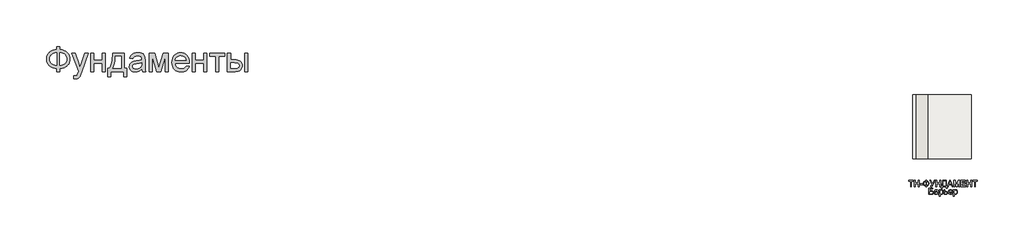
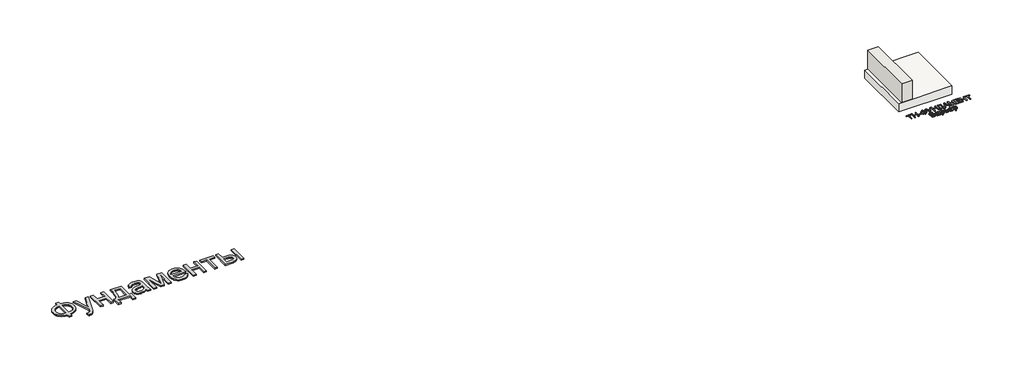
# One storey: 2 proxies, 1 slab, 1 wall.
"""IFC4 building model written with IfcOpenShell, lengths in millimetres."""

from ifc_helpers import new_model, si_unit, origin, origin_with_axes, place, context, project, spatial, polyline, outline, extrude, faceted_brep, element, save

model = new_model("IFC4")

# Units and contexts
model_context = context("Model", 3, world=origin())
ifc_project = project(units=[si_unit("LENGTHUNIT", "METRE", prefix="MILLI")], contexts=[model_context])

# Site, building, storey
site = spatial("IfcSite", under=ifc_project)
building = spatial("IfcBuilding", under=site)
storey = spatial("IfcBuildingStorey", under=building, Elevation=0.0)

# Proxies
placement = place(None, origin())
element("IfcBuildingElementProxy", 1, Name="Generic Models", at=placement, inside=storey, context=model_context, shape_type="SweptSolid", body=[
    extrude(outline(polyline([(-1939.8736325, -26885.7211043), (-1939.8736325, -26787.7817103), (-1841.9342386, -26787.7817103), (-1841.9342386, -26885.7211043), (-1772.0723186, -26894.3529698), (-1709.9695132, -26912.2144755), (-1655.6258224, -26939.3056213), (-1609.0412461, -26975.6264073), (-1571.6743546, -27019.0607113), (-1544.9837177, -27067.4924111), (-1528.9693356, -27120.9215067), (-1523.6312083, -27179.3479982), (-1528.8019587, -27236.6028514), (-1544.3142102, -27289.3863505), (-1570.1679625, -27337.6984954), (-1606.3632158, -27381.5392861), (-1628.1416397, -27401.1761824), (-1652.1109076, -27418.4817577), (-1706.6219753, -27446.0989452), (-1769.896419, -27464.3908486), (-1841.9342386, -27473.3574679), (-1841.9342386, -27571.2968619), (-1939.8736325, -27571.2968619), (-1939.8736325, -27473.3574679), (-2005.3060425, -27466.0586398), (-2065.0237272, -27449.518216), (-2119.0266865, -27423.7361966), (-2167.3149204, -27388.7125816), (-2207.0669327, -27345.8939854), (-2222.6837947, -27322.10405), (-2235.4612272, -27296.7270228), (-2245.3992303, -27269.7629041), (-2252.4978039, -27241.2116938), (-2258.1766628, -27179.3479982), (-2252.5157371, -27117.2033486), (-2245.4395801, -27088.5878775), (-2235.5329602, -27061.6103088), (-2222.7958774, -27036.2706426), (-2207.2283318, -27012.5688789), (-2188.8303234, -26990.5050176), (-2167.6018522, -26970.0790588), (-2119.4032845, -26935.3961753), (-2065.382392, -26909.775555), (-2005.5391746, -26893.217198), (-1939.8736325, -26885.7211043)]), holes=[polyline([(-1841.9342386, -26983.6604982), (-1841.9342386, -27375.418074), (-1793.3949393, -27370.2234125), (-1750.3073446, -27359.2303372), (-1712.6714545, -27342.4388481), (-1680.4872689, -27319.8489452), (-1654.7112272, -27291.9627591), (-1636.2997689, -27259.2824206), (-1625.2528939, -27221.8079296), (-1621.5706022, -27179.5392861), (-1625.1871387, -27137.922217), (-1636.036748, -27100.872146), (-1654.1194303, -27068.389073), (-1679.4351855, -27040.4729982), (-1711.2905951, -27017.6977852), (-1748.9922405, -27000.6372975), (-1792.5401216, -26989.2915352), (-1841.9342386, -26983.6604982)]), polyline([(-1939.8736325, -26983.6604982), (-1986.781007, -26988.5861611), (-2028.989873, -26999.3461043), (-2066.5002305, -27015.9403278), (-2099.3120795, -27038.3688316), (-2125.9668498, -27066.2012179), (-2145.0059715, -27099.0070891), (-2156.4294445, -27136.7864452), (-2160.2372689, -27179.5392861), (-2156.4772665, -27221.9035735), (-2145.1972594, -27259.4737085), (-2126.3972476, -27292.2496909), (-2100.077231, -27320.231521), (-2067.5044919, -27342.8692459), (-2029.9463124, -27359.612913), (-1987.4026926, -27370.4625224), (-1939.8736325, -27375.418074), (-1939.8736325, -26983.6604982)])]), origin_with_axes(), (0.0, 0.0, 1.0), 40.0),
    extrude(outline(polyline([(-1401.2069658, -27791.6604982), (-1413.4493901, -27697.355574), (-1386.764731, -27703.8115399), (-1363.7145416, -27705.9635285), (-1337.5559242, -27703.2615872), (-1317.2315871, -27695.1557634), (-1301.4025151, -27682.2199206), (-1288.7296931, -27665.0279225), (-1261.9493901, -27592.9123922), (-1254.2978749, -27569.1926952), (-1462.4190871, -26995.9029225), (-1359.1236325, -26995.9029225), (-1248.7505264, -27315.35368), (-1210.3016628, -27443.1339831), (-1171.8527992, -27330.2741346), (-1058.4190871, -26995.9029225), (-955.888784, -26995.9029225), (-1156.1671931, -27585.0695891), (-1185.9124583, -27663.4019755), (-1208.1974961, -27712.8498922), (-1234.8343333, -27753.6420323), (-1265.0099961, -27781.9048164), (-1300.0634999, -27798.403396), (-1341.3338598, -27803.9029225), (-1369.6922878, -27800.8423164), (-1401.2069658, -27791.6604982)])), origin_with_axes(), (0.0, 0.0, 1.0), 40.0),
    extrude(outline(polyline([(-874.7827234, -26995.9029225), (-776.8433295, -26995.9029225), (-776.8433295, -27216.2665588), (-519.7524204, -27216.2665588), (-519.7524204, -26995.9029225), (-421.8130264, -26995.9029225), (-421.8130264, -27571.2968619), (-519.7524204, -27571.2968619), (-519.7524204, -27314.2059528), (-776.8433295, -27314.2059528), (-776.8433295, -27571.2968619), (-874.7827234, -27571.2968619), (-874.7827234, -26995.9029225)])), origin_with_axes(), (0.0, 0.0, 1.0), 40.0),
    extrude(outline(polyline([(-189.2069658, -26995.9029225), (178.0657614, -26995.9029225), (178.0657614, -27473.3574679), (251.5203069, -27473.3574679), (251.5203069, -27730.448377), (153.5809129, -27730.448377), (153.5809129, -27571.2968619), (-250.4190871, -27571.2968619), (-250.4190871, -27730.448377), (-348.358481, -27730.448377), (-348.358481, -27473.3574679), (-287.1463598, -27473.3574679), (-263.2293972, -27436.3970631), (-242.648017, -27392.9448259), (-225.4022192, -27343.0007563), (-211.4920037, -27286.5648543), (-200.9173707, -27223.6371199), (-193.67832, -27154.2175531), (-189.7748517, -27078.306154), (-189.2069658, -26995.9029225)]), holes=[polyline([(-103.5099961, -27093.8423164), (-111.5440871, -27213.7559054), (-126.4645416, -27316.979627), (-148.2713598, -27403.5134812), (-161.7571552, -27440.521708), (-176.9645416, -27473.3574679), (80.1263675, -27473.3574679), (80.1263675, -27093.8423164), (-103.5099961, -27093.8423164)])]), origin_with_axes(), (0.0, 0.0, 1.0), 40.0),
    extrude(outline(polyline([(728.9748523, -27497.8423164), (682.181055, -27537.964949), (658.2640924, -27552.8256261), (634.0004205, -27564.2192103), (583.3330436, -27578.7092672), (529.079019, -27583.5392861), (485.4713604, -27580.6341014), (447.2317179, -27571.9185475), (414.3600914, -27557.3926242), (386.8564811, -27537.0563316), (365.1393291, -27512.2008628), (349.6270777, -27484.1174111), (340.3197269, -27452.8059764), (337.2172766, -27418.2665588), (341.9038296, -27377.6657066), (355.9634887, -27340.7949679), (377.650752, -27309.2324679), (405.2201175, -27284.5563316), (437.619502, -27265.9057634), (473.796822, -27252.4199679), (558.5373523, -27237.6908013), (658.6765569, -27222.1964831), (728.4009887, -27204.0241346), (728.9748523, -27182.2173164), (727.2891279, -27158.4737085), (722.2319546, -27138.5080361), (713.8033325, -27122.3202994), (702.0032614, -27109.9104982), (681.6071914, -27097.5246081), (656.7636781, -27088.6775437), (627.4727217, -27083.369305), (593.734322, -27081.5998922), (535.391519, -27086.3103562), (512.8195493, -27092.1984362), (494.6472008, -27100.4417482), (479.7147908, -27111.6858888), (466.8626364, -27126.5764547), (456.0907378, -27145.1134457), (447.3990948, -27167.2968619), (349.4597008, -27155.0544376), (366.4604111, -27101.4938316), (378.0990829, -27079.0175058), (391.829966, -27059.4104982), (408.2448571, -27042.2782776), (427.9355531, -27027.2263126), (450.902054, -27014.2546033), (477.1443599, -27003.3631497), (537.3283088, -26988.5861611), (606.359322, -26983.6604982), (672.5688391, -26988.0122975), (725.0534508, -27001.0676952), (764.6261307, -27020.6986138), (792.0998523, -27044.7769755), (810.3200228, -27074.5461516), (822.1320493, -27111.2495134), (825.718697, -27145.1074679), (826.9142463, -27196.9464831), (826.9142463, -27318.7968619), (828.1576175, -27424.9377236), (831.8877311, -27488.94743), (839.2523145, -27531.0068524), (851.3990948, -27571.2968619), (753.4597008, -27571.2968619), (737.7740948, -27537.2476194), (728.9748523, -27497.8423164)]), holes=[polyline([(728.9748523, -27301.9635285), (663.171822, -27318.2708202), (570.9710645, -27331.9957255), (520.1602217, -27339.5037747), (486.7087539, -27347.8726194), (464.7823807, -27358.7282066), (448.546822, -27373.6964831), (438.5042084, -27391.6297217), (435.1566705, -27411.3801952), (436.9798831, -27426.599537), (442.4495209, -27440.5037747), (451.5655839, -27453.0929083), (464.328072, -27464.3669376), (480.6174305, -27473.6563552), (500.3141042, -27480.2916535), (549.9293978, -27485.5998922), (602.5335645, -27479.7417009), (626.5401932, -27472.4189618), (649.016519, -27462.167127), (686.7002311, -27436.2715304), (712.9066705, -27405.450271), (724.5274092, -27373.6964831), (728.4009887, -27329.700271), (728.9748523, -27301.9635285)])]), origin_with_axes(), (0.0, 0.0, 1.0), 40.0),
    extrude(outline(polyline([(961.5809129, -26995.9029225), (1130.1055342, -26995.9029225), (1259.9900039, -27456.5241346), (1400.0127311, -26995.9029225), (1561.4597008, -26995.9029225), (1561.4597008, -27571.2968619), (1463.5203069, -27571.2968619), (1463.5203069, -27107.9976194), (1322.7324281, -27571.2968619), (1194.1869736, -27571.2968619), (1059.5203069, -27085.8082255), (1059.5203069, -27571.2968619), (961.5809129, -27571.2968619), (961.5809129, -26995.9029225)])), origin_with_axes(), (0.0, 0.0, 1.0), 40.0),
    extrude(outline(polyline([(2111.2210645, -27399.9029225), (2207.2475796, -27412.1453467), (2192.5243907, -27450.6061658), (2172.6483845, -27484.4999869), (2147.6195611, -27513.8268098), (2117.4379205, -27538.5866346), (2082.4143055, -27558.2534196), (2042.8595588, -27572.3011232), (1998.7736805, -27580.7297454), (1950.1566705, -27583.5392861), (1889.3869025, -27578.6913339), (1835.2404773, -27564.1474774), (1787.717395, -27539.9077165), (1746.8176554, -27505.9720513), (1713.9280957, -27463.2849656), (1690.4355531, -27412.7909433), (1676.3400275, -27354.4899845), (1671.641519, -27288.3820891), (1676.3878495, -27220.0325389), (1690.626841, -27159.7888126), (1714.3584934, -27107.6509102), (1747.5828069, -27063.6188316), (1788.374947, -27028.6370607), (1834.8100796, -27003.6500816), (1886.8882046, -26988.6578941), (1944.609322, -26983.6604982), (2000.4713604, -26988.6459386), (2050.9892936, -27003.6022596), (2096.1631218, -27028.5294613), (2135.9928448, -27063.4275437), (2168.5058064, -27107.3639783), (2191.7293504, -27159.4062369), (2205.6634769, -27219.5543192), (2210.3081857, -27287.8082255), (2209.734322, -27314.2059528), (1769.5809129, -27314.2059528), (1775.2537941, -27353.2884575), (1786.5338012, -27387.5170323), (1803.4209343, -27416.8916772), (1825.9151932, -27441.4123922), (1852.773207, -27460.7444234), (1882.7516042, -27474.5530172), (1915.850385, -27482.8381734), (1952.0695493, -27485.5998922), (2004.1954963, -27480.4829414), (2048.0960645, -27465.1320891), (2066.9618315, -27453.3798401), (2083.7712539, -27438.590896), (2098.5243315, -27420.7652567), (2111.2210645, -27399.9029225)]), holes=[polyline([(1769.5809129, -27216.2665588), (2112.3687917, -27216.2665588), (2107.3355294, -27188.5537274), (2099.1221061, -27164.5231876), (2087.7285218, -27144.1749395), (2073.1547766, -27127.5089831), (2046.4462065, -27107.4237558), (2016.0553448, -27093.0771649), (1981.9821914, -27084.4692103), (1944.2267463, -27081.5998922), (1909.7889504, -27083.889369), (1878.2085171, -27090.7577994), (1849.4854466, -27102.2051834), (1823.6197387, -27118.231521), (1801.9145422, -27138.0955716), (1785.6730057, -27161.0560948), (1774.8951293, -27187.1130906), (1769.5809129, -27216.2665588)])]), origin_with_axes(), (0.0, 0.0, 1.0), 40.0),
    extrude(outline(polyline([(2308.2475796, -26995.9029225), (2406.1869736, -26995.9029225), (2406.1869736, -27216.2665588), (2663.2778826, -27216.2665588), (2663.2778826, -26995.9029225), (2761.2172766, -26995.9029225), (2761.2172766, -27571.2968619), (2663.2778826, -27571.2968619), (2663.2778826, -27314.2059528), (2406.1869736, -27314.2059528), (2406.1869736, -27571.2968619), (2308.2475796, -27571.2968619), (2308.2475796, -26995.9029225)])), origin_with_axes(), (0.0, 0.0, 1.0), 40.0),
    extrude(outline(polyline([(2859.1566705, -26995.9029225), (3324.3687917, -26995.9029225), (3324.3687917, -27093.8423164), (3140.7324281, -27093.8423164), (3140.7324281, -27571.2968619), (3042.7930342, -27571.2968619), (3042.7930342, -27093.8423164), (2859.1566705, -27093.8423164), (2859.1566705, -26995.9029225)])), origin_with_axes(), (0.0, 0.0, 1.0), 40.0),
    extrude(outline(polyline([(3948.7324281, -26995.9029225), (4046.671822, -26995.9029225), (4046.671822, -27571.2968619), (3948.7324281, -27571.2968619), (3948.7324281, -26995.9029225)])), origin_with_axes(), (0.0, 0.0, 1.0), 40.0),
    extrude(outline(polyline([(3410.0657614, -26995.9029225), (3508.0051554, -26995.9029225), (3508.0051554, -27204.0241346), (3629.0903826, -27204.0241346), (3684.8089551, -27207.0907184), (3733.7487633, -27216.2904698), (3775.9098074, -27231.6233888), (3811.2920872, -27253.0894755), (3839.2858727, -27279.9474892), (3859.2814338, -27311.4561895), (3871.2787704, -27347.6155763), (3875.2778826, -27388.4256497), (3871.924367, -27424.8361019), (3861.8638201, -27458.5087463), (3845.096242, -27489.443583), (3821.6216326, -27517.6406119), (3790.7824399, -27541.1152212), (3751.9211118, -27557.8827994), (3705.0376483, -27567.9433462), (3650.1320493, -27571.2968619), (3410.0657614, -27571.2968619), (3410.0657614, -26995.9029225)]), holes=[polyline([(3508.0051554, -27473.3574679), (3608.6225796, -27473.3574679), (3686.6202122, -27468.2166062), (3715.8274802, -27461.790529), (3738.5070493, -27452.794021), (3755.495804, -27441.0716606), (3767.6306289, -27426.4680266), (3774.9115237, -27408.983119), (3777.3384887, -27388.6169376), (3775.5391871, -27372.1542245), (3770.1412823, -27356.6240399), (3761.1447742, -27342.0263836), (3748.5496629, -27328.3612558), (3729.8094286, -27316.8122501), (3702.3775512, -27308.5629603), (3666.2540308, -27303.6133865), (3621.4388675, -27301.9635285), (3508.0051554, -27301.9635285), (3508.0051554, -27473.3574679)])]), origin_with_axes(), (0.0, 0.0, 1.0), 40.0),
])
element("IfcBuildingElementProxy", 2, Name="Generic Models", at=placement, inside=storey, context=model_context, shape_type="SweptSolid", body=[
    extrude(outline(polyline([(24808.414023, -31175.7835765), (24808.414023, -31003.4758842), (24743.7986384, -31003.4758842), (24743.7986384, -30978.8604996), (24897.6447923, -30978.8604996), (24897.6447923, -31003.4758842), (24833.0294076, -31003.4758842), (24833.0294076, -31175.7835765), (24808.414023, -31175.7835765)])), origin_with_axes(), (0.0, 0.0, 1.0), 20.0),
    extrude(outline(polyline([(24925.3370999, -31175.7835765), (24925.3370999, -30978.8604996), (24949.9524846, -30978.8604996), (24949.9524846, -31058.8604996), (25054.5678692, -31058.8604996), (25054.5678692, -30978.8604996), (25079.1832538, -30978.8604996), (25079.1832538, -31175.7835765), (25054.5678692, -31175.7835765), (25054.5678692, -31083.4758842), (24949.9524846, -31083.4758842), (24949.9524846, -31175.7835765), (24925.3370999, -31175.7835765)])), origin_with_axes(), (0.0, 0.0, 1.0), 20.0),
    extrude(outline(polyline([(25106.8755615, -31117.3220381), (25106.8755615, -31092.7066535), (25183.7986384, -31092.7066535), (25183.7986384, -31117.3220381), (25106.8755615, -31117.3220381)])), origin_with_axes(), (0.0, 0.0, 1.0), 20.0),
    extrude(outline(polyline([(25285.3370999, -31003.4758842), (25285.3370999, -30978.8604996), (25309.9524846, -30978.8604996), (25309.9524846, -31003.4758842), (25343.1195519, -31010.1345381), (25368.4861384, -31026.0720381), (25384.585898, -31049.1609804), (25389.9524846, -31077.2739612), (25384.7541673, -31104.9302112), (25369.1592153, -31128.0912688), (25343.960898, -31144.3172304), (25309.9524846, -31151.1681919), (25309.9524846, -31175.7835765), (25285.3370999, -31175.7835765), (25285.3370999, -31151.1681919), (25253.882773, -31145.1766054), (25228.1736384, -31129.8941535), (25218.1826528, -31119.1324347), (25211.0462346, -31106.7751631), (25205.3370999, -31077.2739612), (25211.0282057, -31047.682615), (25218.1420879, -31035.3568938), (25228.101523, -31024.6778073), (25253.7926288, -31009.5215573), (25285.3370999, -31003.4758842)]), holes=[polyline([(25285.3370999, -31028.0912688), (25262.9392634, -31032.0335765), (25245.2649846, -31041.8412688), (25233.7806096, -31057.0816535), (25229.9524846, -31077.3220381), (25233.7325326, -31097.4121823), (25245.0726769, -31112.682615), (25262.6988788, -31122.5804515), (25285.3370999, -31126.5528073), (25285.3370999, -31028.0912688)]), polyline([(25309.9524846, -31028.0912688), (25309.9524846, -31126.5528073), (25332.9813307, -31122.4842977), (25350.5294076, -31112.5864612), (25361.6351769, -31097.3641054), (25365.3370999, -31077.3220381), (25361.7012826, -31057.5504035), (25350.7938307, -31042.370115), (25333.3118596, -31032.3580958), (25309.9524846, -31028.0912688)])]), origin_with_axes(), (0.0, 0.0, 1.0), 20.0),
    extrude(outline(polyline([(25409.9524846, -30978.8604996), (25437.2120999, -30978.8604996), (25496.1063307, -31095.495115), (25549.0870999, -30978.8604996), (25576.1063307, -30978.8604996), (25501.3467153, -31132.2739612), (25481.0101769, -31169.9662688), (25471.3587346, -31176.6369419), (25458.2697923, -31178.8604996), (25436.1063307, -31175.7835765), (25436.1063307, -31154.245115), (25455.4813307, -31154.245115), (25469.8563307, -31148.7643458), (25483.1736384, -31123.8124227), (25409.9524846, -30978.8604996)])), origin_with_axes(), (0.0, 0.0, 1.0), 20.0),
    extrude(outline(polyline([(25599.1832538, -31175.7835765), (25599.1832538, -30978.8604996), (25623.7986384, -30978.8604996), (25623.7986384, -31058.8604996), (25728.414023, -31058.8604996), (25728.414023, -30978.8604996), (25753.0294076, -30978.8604996), (25753.0294076, -31175.7835765), (25728.414023, -31175.7835765), (25728.414023, -31083.4758842), (25623.7986384, -31083.4758842), (25623.7986384, -31175.7835765), (25599.1832538, -31175.7835765)])), origin_with_axes(), (0.0, 0.0, 1.0), 20.0),
    extrude(outline(polyline([(25814.5678692, -30978.8604996), (25931.4909461, -30978.8604996), (25931.4909461, -31151.1681919), (25949.9524846, -31151.1681919), (25949.9524846, -31221.9374227), (25925.3370999, -31221.9374227), (25925.3370999, -31175.7835765), (25799.1832538, -31175.7835765), (25799.1832538, -31221.9374227), (25774.5678692, -31221.9374227), (25774.5678692, -31151.1681919), (25789.9524846, -31151.1681919), (25800.7217153, -31128.839466), (25808.414023, -31097.4302112), (25813.0294076, -31056.9404275), (25814.5678692, -31007.370115), (25814.5678692, -30978.8604996)]), holes=[polyline([(25906.8755615, -31003.4758842), (25839.1832538, -31003.4758842), (25839.1832538, -31013.3797304), (25834.1832538, -31080.8316535), (25826.7794076, -31119.8100188), (25814.5678692, -31151.1681919), (25906.8755615, -31151.1681919), (25906.8755615, -31003.4758842)])]), origin_with_axes(), (0.0, 0.0, 1.0), 20.0),
    extrude(outline(polyline([(25957.789023, -31175.7835765), (26036.3947923, -30978.8604996), (26057.3563307, -30978.8604996), (26135.9620999, -31175.7835765), (26109.9524846, -31175.7835765), (26087.4044076, -31114.245115), (26006.2986384, -31114.245115), (25983.7986384, -31175.7835765), (25957.789023, -31175.7835765)]), holes=[polyline([(26015.3370999, -31089.6297304), (26078.414023, -31089.6297304), (26060.6736384, -31041.2162688), (26046.8755615, -31003.4758842), (26034.6159461, -31036.9854996), (26015.3370999, -31089.6297304)])]), origin_with_axes(), (0.0, 0.0, 1.0), 20.0),
    extrude(outline(polyline([(26162.2601769, -31175.7835765), (26162.2601769, -30978.8604996), (26204.6159461, -30978.8604996), (26244.9044076, -31117.6585765), (26253.0294076, -31146.6489612), (26261.8274846, -31115.2547304), (26301.4428692, -30978.8604996), (26343.7986384, -30978.8604996), (26343.7986384, -31175.7835765), (26319.1832538, -31175.7835765), (26319.1832538, -31003.4758842), (26269.7120999, -31175.7835765), (26236.3467153, -31175.7835765), (26186.8755615, -31003.4758842), (26186.8755615, -31175.7835765), (26162.2601769, -31175.7835765)])), origin_with_axes(), (0.0, 0.0, 1.0), 20.0),
    extrude(outline(polyline([(26386.8755615, -31175.7835765), (26386.8755615, -30978.8604996), (26528.414023, -30978.8604996), (26528.414023, -31003.4758842), (26411.4909461, -31003.4758842), (26411.4909461, -31061.9374227), (26522.2601769, -31061.9374227), (26522.2601769, -31086.5528073), (26411.4909461, -31086.5528073), (26411.4909461, -31151.1681919), (26531.4909461, -31151.1681919), (26531.4909461, -31175.7835765), (26386.8755615, -31175.7835765)])), origin_with_axes(), (0.0, 0.0, 1.0), 20.0),
    extrude(outline(polyline([(26568.414023, -31175.7835765), (26568.414023, -30978.8604996), (26593.0294076, -30978.8604996), (26593.0294076, -31058.8604996), (26697.6447923, -31058.8604996), (26697.6447923, -30978.8604996), (26722.2601769, -30978.8604996), (26722.2601769, -31175.7835765), (26697.6447923, -31175.7835765), (26697.6447923, -31083.4758842), (26593.0294076, -31083.4758842), (26593.0294076, -31175.7835765), (26568.414023, -31175.7835765)])), origin_with_axes(), (0.0, 0.0, 1.0), 20.0),
    extrude(outline(polyline([(26814.5678692, -31175.7835765), (26814.5678692, -31003.4758842), (26749.9524846, -31003.4758842), (26749.9524846, -30978.8604996), (26903.7986384, -30978.8604996), (26903.7986384, -31003.4758842), (26839.1832538, -31003.4758842), (26839.1832538, -31175.7835765), (26814.5678692, -31175.7835765)])), origin_with_axes(), (0.0, 0.0, 1.0), 20.0),
    extrude(outline(polyline([(25383.7986384, -31221.9374227), (25506.8755615, -31221.9374227), (25506.8755615, -31246.5528073), (25408.414023, -31246.5528073), (25408.414023, -31305.0143458), (25454.5197923, -31305.0143458), (25495.1447923, -31310.0143458), (25508.7385423, -31317.2379035), (25519.3274846, -31328.9085765), (25526.1423884, -31343.932615), (25528.414023, -31361.2162688), (25526.7974365, -31375.72949), (25521.9476769, -31389.2691535), (25513.8887826, -31401.1261246), (25502.6447923, -31410.5912688), (25485.3010423, -31416.7931919), (25458.9428692, -31418.8604996), (25383.7986384, -31418.8604996), (25383.7986384, -31221.9374227)]), holes=[polyline([(25408.414023, -31394.245115), (25461.1544076, -31394.245115), (25479.7962346, -31392.213865), (25493.1255615, -31386.120115), (25501.1303692, -31375.963865), (25503.7986384, -31361.745115), (25502.2721961, -31351.1561727), (25497.6928692, -31342.4662688), (25490.3911865, -31336.0239612), (25480.6976769, -31332.1778073), (25443.6063307, -31329.6297304), (25408.414023, -31329.6297304), (25408.414023, -31394.245115)])]), origin_with_axes(), (0.0, 0.0, 1.0), 20.0),
    extrude(outline(polyline([(25651.4909461, -31400.3989612), (25627.6207538, -31417.0816535), (25601.2505615, -31421.9374227), (25580.679648, -31419.0167496), (25565.5053692, -31410.2547304), (25556.148398, -31396.9494419), (25553.0294076, -31380.3989612), (25557.7409461, -31360.9278073), (25570.1207538, -31346.7931919), (25587.3563307, -31338.7162688), (25608.6544076, -31335.0143458), (25651.3467153, -31326.5528073), (25651.4909461, -31321.0720381), (25649.7962346, -31310.0864612), (25644.7120999, -31302.8989612), (25633.3419076, -31297.5624227), (25617.5005615, -31295.7835765), (25592.5967153, -31300.5191535), (25585.6135423, -31307.0876631), (25580.7217153, -31317.3220381), (25556.1063307, -31314.245115), (25566.7553692, -31290.2066535), (25575.8298884, -31282.1177112), (25588.1976769, -31276.120115), (25620.6736384, -31271.1681919), (25650.5053692, -31275.5431919), (25667.3563307, -31286.5287688), (25674.9044076, -31303.2354996), (25676.1063307, -31324.7739612), (25676.1063307, -31355.3989612), (25677.3563307, -31398.1633842), (25682.2601769, -31418.8604996), (25657.6447923, -31418.8604996), (25651.4909461, -31400.3989612)]), holes=[polyline([(25651.4909461, -31351.1681919), (25611.7794076, -31358.7162688), (25590.601523, -31362.7066535), (25581.0101769, -31369.1970381), (25577.6447923, -31378.6681919), (25579.4777249, -31385.9879035), (25584.976523, -31391.9854996), (25594.0209942, -31395.9879035), (25606.4909461, -31397.3220381), (25619.7120999, -31395.8496823), (25631.3947923, -31391.432615), (25647.4524846, -31377.1778073), (25651.3467153, -31358.1393458), (25651.4909461, -31351.1681919)])]), origin_with_axes(), (0.0, 0.0, 1.0), 20.0),
    extrude(outline(polyline([(25709.9524846, -31474.245115), (25709.9524846, -31274.245115), (25734.5678692, -31274.245115), (25734.5678692, -31298.3797304), (25751.5870999, -31277.9710765), (25762.0678692, -31272.8689131), (25774.5678692, -31271.1681919), (25791.2145038, -31273.5479996), (25805.7697923, -31280.6874227), (25817.6207538, -31292.1537688), (25826.1544076, -31307.5143458), (25831.3106576, -31325.651365), (25833.0294076, -31345.4470381), (25831.0883019, -31366.4987208), (25825.2649846, -31385.3268458), (25815.7457538, -31400.9758842), (25802.7169076, -31412.4903073), (25787.5426288, -31419.5756438), (25771.5870999, -31421.9374227), (25760.2709942, -31420.3568938), (25750.1688307, -31415.6153073), (25734.5678692, -31399.6297304), (25734.5678692, -31474.245115), (25709.9524846, -31474.245115)]), holes=[polyline([(25734.5678692, -31347.7066535), (25737.2301288, -31369.7739612), (25745.2169076, -31385.2066535), (25757.0017634, -31394.2931919), (25771.0582538, -31397.3220381), (25785.3431096, -31394.1850188), (25797.4284461, -31384.7739612), (25805.6676288, -31368.776365), (25808.414023, -31345.8797304), (25805.7337346, -31323.932615), (25797.6928692, -31308.2835765), (25785.9260423, -31298.9085765), (25772.0678692, -31295.7835765), (25758.1556096, -31299.1068938), (25745.9380615, -31309.0768458), (25737.4104173, -31325.3809323), (25734.5678692, -31347.7066535)])]), origin_with_axes(), (0.0, 0.0, 1.0), 20.0),
    extrude(outline(polyline([(25860.7217153, -31274.245115), (25885.3370999, -31274.245115), (25885.3370999, -31326.5528073), (25913.7024846, -31326.5528073), (25938.2938307, -31329.63574), (25956.4909461, -31338.8845381), (25967.7409461, -31353.5540092), (25971.4909461, -31372.8989612), (25968.2998403, -31390.5131438), (25958.726523, -31405.3749227), (25942.1339749, -31415.4891054), (25917.8851769, -31418.8604996), (25860.7217153, -31418.8604996), (25860.7217153, -31274.245115)]), holes=[polyline([(25885.3370999, -31394.245115), (25908.3178692, -31394.245115), (25926.148398, -31392.9530477), (25938.0053692, -31389.0768458), (25944.6580134, -31382.4602592), (25946.8755615, -31372.9470381), (25945.2349365, -31364.9061727), (25940.3130615, -31357.8028073), (25929.7661865, -31352.8268458), (25911.2505615, -31351.1681919), (25885.3370999, -31351.1681919), (25885.3370999, -31394.245115)])]), origin_with_axes(), (0.0, 0.0, 1.0), 20.0),
    extrude(outline(polyline([(26103.5101769, -31375.7835765), (26127.6447923, -31378.8604996), (26118.9488788, -31397.0455958), (26105.0726769, -31410.6393458), (26086.3286865, -31419.1129035), (26063.0294076, -31421.9374227), (26034.1471961, -31417.0636246), (26011.9236384, -31402.4422304), (25997.7529653, -31379.0227592), (25993.0294076, -31347.7547304), (25997.8010423, -31315.4350188), (26012.1159461, -31291.2643458), (26034.039023, -31276.1922304), (26061.6351769, -31271.1681919), (26088.3719557, -31276.1802112), (26109.7361384, -31291.2162688), (26123.7445519, -31315.338865), (26128.414023, -31347.6104996), (26128.2697923, -31354.245115), (26017.6447923, -31354.245115), (26021.9056096, -31372.6705958), (26031.8034461, -31386.2162688), (26046.0883019, -31394.5455958), (26063.5101769, -31397.3220381), (26087.6447923, -31392.1778073), (26096.6111384, -31385.5071342), (26103.5101769, -31375.7835765)]), holes=[polyline([(26017.6447923, -31329.6297304), (26103.7986384, -31329.6297304), (26100.4693115, -31316.6249227), (26093.9428692, -31307.3220381), (26079.5919076, -31298.6681919), (26061.539023, -31295.7835765), (26044.9464749, -31298.0852592), (26031.226523, -31304.9903073), (26021.6892634, -31315.7535285), (26017.6447923, -31329.6297304)])]), origin_with_axes(), (0.0, 0.0, 1.0), 20.0),
    extrude(outline(polyline([(26153.0294076, -31474.245115), (26153.0294076, -31274.245115), (26177.6447923, -31274.245115), (26177.6447923, -31298.3797304), (26194.664023, -31277.9710765), (26205.1447923, -31272.8689131), (26217.6447923, -31271.1681919), (26234.2914269, -31273.5479996), (26248.8467153, -31280.6874227), (26260.6976769, -31292.1537688), (26269.2313307, -31307.5143458), (26274.3875807, -31325.651365), (26276.1063307, -31345.4470381), (26274.1652249, -31366.4987208), (26268.3419076, -31385.3268458), (26258.8226769, -31400.9758842), (26245.7938307, -31412.4903073), (26230.6195519, -31419.5756438), (26214.664023, -31421.9374227), (26203.3479173, -31420.3568938), (26193.2457538, -31415.6153073), (26177.6447923, -31399.6297304), (26177.6447923, -31474.245115), (26153.0294076, -31474.245115)]), holes=[polyline([(26177.6447923, -31347.7066535), (26180.3070519, -31369.7739612), (26188.2938307, -31385.2066535), (26200.0786865, -31394.2931919), (26214.1351769, -31397.3220381), (26228.4200326, -31394.1850188), (26240.5053692, -31384.7739612), (26248.7445519, -31368.776365), (26251.4909461, -31345.8797304), (26248.8106576, -31323.932615), (26240.7697923, -31308.2835765), (26229.0029653, -31298.9085765), (26215.1447923, -31295.7835765), (26201.2325326, -31299.1068938), (26189.0149846, -31309.0768458), (26180.4873403, -31325.3809323), (26177.6447923, -31347.7066535)])]), origin_with_axes(), (0.0, 0.0, 1.0), 20.0),
])

# Slab
element("IfcSlab", 3, at=placement, inside=storey, context=model_context, shape_type="Brep", body=[
    faceted_brep([(24881.3955952, -28302.6148653, -305.0), (26706.3955952, -28302.6148653, -305.0), (26706.3955952, -30302.6148653, -305.0), (24881.3955952, -30302.6148653, -305.0), (24881.3955952, -28302.6148653, 0.0), (24881.3955952, -30302.6148653, 0.0), (24980.3955952, -30302.6148653, 0.0), (25343.3955952, -30302.6148653, 0.0), (26706.3955952, -30302.6148653, 0.0), (26706.3955952, -28302.6148653, 0.0), (25343.3955952, -28302.6148653, 0.0), (24980.3955952, -28302.6148653, 0.0)], [[[0, 1, 2, 3]], [[4, 5, 6, 7, 8, 9, 10, 11]], [[1, 0, 4, 11, 10, 9]], [[2, 1, 9, 8]], [[3, 2, 8, 7, 6, 5]], [[0, 3, 5, 4]]]),
])

# Wall
element("IfcWall", 4, at=placement, inside=storey, context=model_context, shape_type="SweptSolid", body=[
    extrude(outline(polyline([(24980.3955952, -30302.6148653), (24980.3955952, -28302.6148653), (25343.3955952, -28302.6148653), (25343.3955952, -30302.6148653), (24980.3955952, -30302.6148653)])), origin_with_axes(), (0.0, 0.0, 1.0), 689.0),
])

save(model, "model.ifc")
